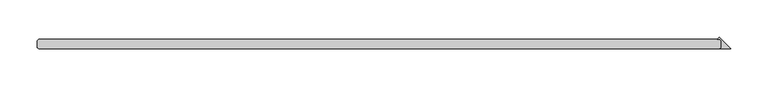
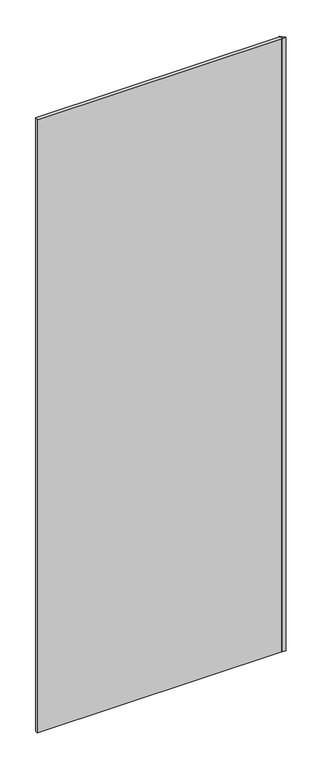
"""IFC4 building model written with IfcOpenShell, lengths in millimetres: plate geometry."""

from ifc_helpers import new_model, si_unit, origin, origin_with_axes, place, context, project, spatial, polyline, outline, extrude, source, transform, mapped, element, save


def plate_8375ab48(model_context):
    return source(origin(), model_context, "Body", "SweptSolid", [
        extrude(outline(polyline([(439.340625, 25.4), (439.340625, 34.925), (437.753125, 36.5125), (433.920561, 36.5125), (436.630593, 39.222532), (452.040625, 23.8125), (437.753125, 23.8125), (439.340625, 25.4)])), origin_with_axes(), (0.0, 0.0, 1.0), 2417.075),
        extrude(outline(polyline([(437.753125, 23.8125), (-474.265625, 23.8125), (-475.853125, 25.4), (-475.853125, 34.925), (-474.265625, 36.5125), (437.753125, 36.5125), (439.340625, 34.925), (439.340625, 25.4), (437.753125, 23.8125)])), origin_with_axes(), (0.0, 0.0, 1.0), 2417.075),
    ])


if __name__ == "__main__":
    model = new_model("IFC4")
    model_context = context("Model", 3, world=origin())
    ifc_project = project(units=[si_unit("LENGTHUNIT", "METRE", prefix="MILLI")], contexts=[model_context])
    site = spatial("IfcSite", under=ifc_project)
    building = spatial("IfcBuilding", under=site)
    placement = place(None, origin())
    plate_shape = plate_8375ab48(model_context)
    element("IfcPlate", 1, at=placement, inside=building, context=model_context, shape_type="MappedRepresentation", body=[
        mapped(plate_shape, transform((0.0, 0.0, 0.0), x_axis=(1.0, 0.0, 0.0), y_axis=(0.0, 1.0, 0.0), z_axis=(0.0, 0.0, 1.0))),
    ])
    save(model, "model.ifc")
